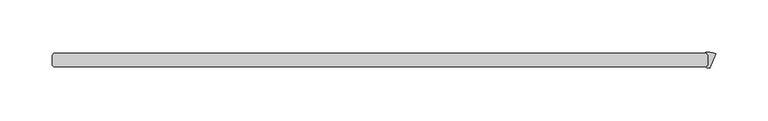
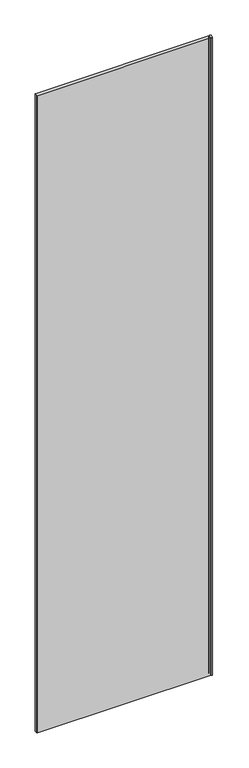
"""IFC4 building model written with IfcOpenShell, lengths in millimetres: plate geometry."""

from ifc_helpers import new_model, si_unit, point, frame_2d, origin, origin_with_axes, place, context, project, spatial, polyline, circle_curve, trimmed, segment, composite_curve, outline, extrude, source, transform, mapped, element, save


def plate_ab1bc0d9(model_context):
    return source(origin(), model_context, "Body", "SweptSolid", [
        extrude(outline(composite_curve([segment(polyline([(312.340625, -4.7625), (312.340625, 4.7625), (310.2614173, 6.8417077)]), True, "CONTINUOUS"), segment(trimmed(circle_curve(frame_2d((310.5420503, 7.1223407)), 0.396875), [point((310.2614173, 6.8417077))], [point((310.4862831, 7.5152781))], False, "CARTESIAN"), True, "CONTINUOUS"), segment(trimmed(circle_curve(frame_2d((312.9692784, -9.9799885)), 17.6705863), [point((310.4862831, 7.5152781))], [point((319.731519, 6.3455045))], False, "CARTESIAN"), True, "CONTINUOUS"), segment(polyline([(319.731519, 6.3455045), (313.8845603, -7.7703026)]), True, "CONTINUOUS"), segment(trimmed(circle_curve(frame_2d((310.7393901, -15.363415)), 8.2187257), [point((313.8845603, -7.7703026))], [point((310.9067113, -7.1463927))], True, "CARTESIAN"), True, "CONTINUOUS"), segment(trimmed(circle_curve(frame_2d((310.9147911, -6.7496)), 0.396875), [point((310.9067113, -7.1463927))], [point((310.6341581, -6.4689669))], False, "CARTESIAN"), True, "CONTINUOUS"), segment(polyline([(310.6341581, -6.4689669), (312.340625, -4.7625)]), True, "CONTINUOUS")], self_intersect=False)), origin_with_axes(), (0.0, 0.0, 1.0), 2427.1914267),
        extrude(outline(polyline([(310.753125, 6.35), (312.340625, 4.7625), (312.340625, -4.7625), (310.753125, -6.35), (-315.515625, -6.35), (-317.103125, -4.7625), (-317.103125, 4.7625), (-315.515625, 6.35), (310.753125, 6.35)])), origin_with_axes(), (0.0, 0.0, 1.0), 2427.1914267),
    ])


if __name__ == "__main__":
    model = new_model("IFC4")
    model_context = context("Model", 3, world=origin())
    ifc_project = project(units=[si_unit("LENGTHUNIT", "METRE", prefix="MILLI")], contexts=[model_context])
    site = spatial("IfcSite", under=ifc_project)
    building = spatial("IfcBuilding", under=site)
    placement = place(None, origin())
    plate_shape = plate_ab1bc0d9(model_context)
    element("IfcPlate", 1, at=placement, inside=building, context=model_context, shape_type="MappedRepresentation", body=[
        mapped(plate_shape, transform((0.0, 0.0, 0.0), x_axis=(1.0, 0.0, 0.0), y_axis=(0.0, 1.0, 0.0), z_axis=(0.0, 0.0, 1.0))),
    ])
    save(model, "model.ifc")
